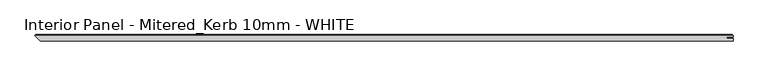
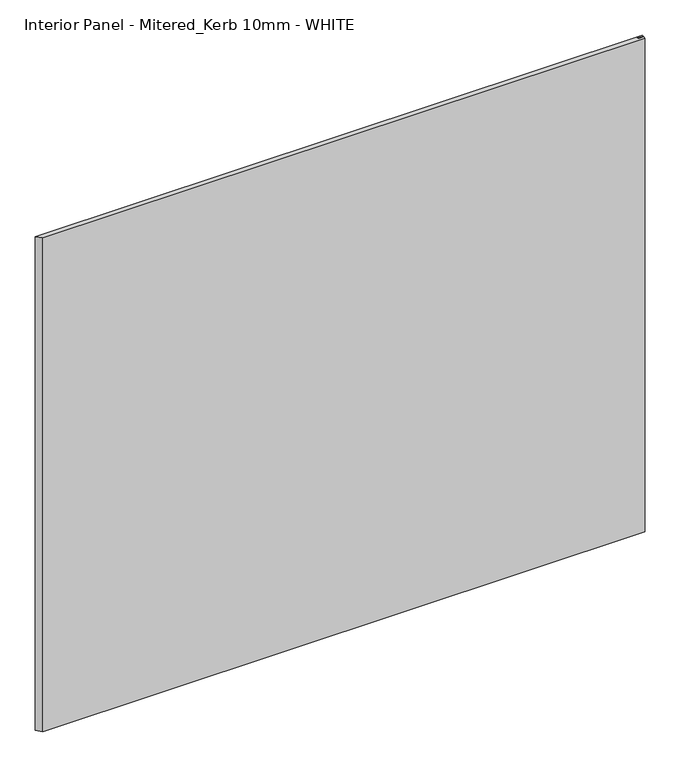
"""IFC4 building model written with IfcOpenShell, lengths in millimetres: proxy geometry, Interior Panel - Mitered_Kerb 10mm - WHITE."""

from ifc_helpers import new_model, si_unit, origin, place, context, project, spatial, faceted_brep, source, transform, mapped, element, save


def interior_panel_mitered_kerb_10mm_white_20441207(model_context):
    return source(origin(), model_context, "Body", "Brep", [
        faceted_brep([(990.6, -3.175, 914.4), (990.6, 0.5207, 914.4), (980.7773437, 0.5207, 914.4), (980.7773437, 2.6543, 914.4), (990.6, 2.6543, 914.4), (990.6, 4.7625, 914.4), (-73.025, 4.7625, 914.4), (-65.0875, -3.175, 914.4), (990.6, -3.175, 0.0), (-65.0875, -3.175, 0.0), (-73.025, 4.7625, 0.0), (990.6, 4.7625, 0.0), (990.6, 2.6543, 0.0), (980.7773437, 2.6543, 0.0), (980.7773437, 0.5207, 0.0), (990.6, 0.5207, 0.0), (-71.4375, 6.35, 912.8125), (989.0125, 6.35, 912.8125), (989.0125, 6.35, 1.5875), (-71.4375, 6.35, 1.5875)], [[[0, 1, 2, 3, 4, 5, 6, 7]], [[8, 9, 10, 11, 12, 13, 14, 15]], [[7, 9, 8, 0]], [[16, 17, 18, 19]], [[4, 12, 11, 5]], [[11, 18, 17, 5]], [[5, 17, 16, 6]], [[10, 19, 18, 11]], [[3, 13, 12, 4]], [[2, 14, 13, 3]], [[1, 15, 14, 2]], [[0, 8, 15, 1]], [[6, 10, 9, 7]], [[6, 16, 19, 10]]]),
    ])


if __name__ == "__main__":
    model = new_model("IFC4")
    model_context = context("Model", 3, world=origin())
    ifc_project = project(units=[si_unit("LENGTHUNIT", "METRE", prefix="MILLI")], contexts=[model_context])
    site = spatial("IfcSite", under=ifc_project)
    building = spatial("IfcBuilding", under=site)
    placement = place(None, origin())
    interior_panel_mitered_kerb_10mm_white_shape = interior_panel_mitered_kerb_10mm_white_20441207(model_context)
    element("IfcBuildingElementProxy", 1, Name="Interior Panel - Mitered_Kerb 10mm - WHITE", ObjectType="Interior Panel - Mitered_Kerb 10mm - WHITE", at=placement, inside=building, context=model_context, shape_type="MappedRepresentation", body=[
        mapped(interior_panel_mitered_kerb_10mm_white_shape, transform((0.0, 0.0, 0.0), x_axis=(1.0, 0.0, 0.0), y_axis=(0.0, 1.0, 0.0), z_axis=(0.0, 0.0, 1.0))),
    ])
    save(model, "model.ifc")
